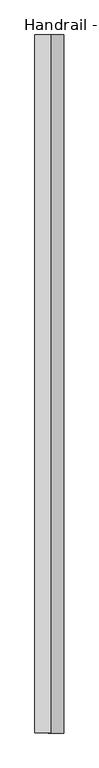
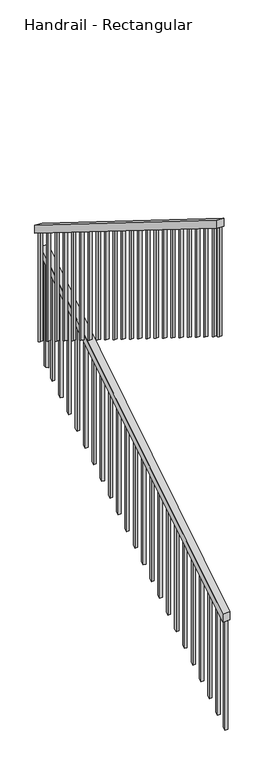
"""IFC4 building model written with IfcOpenShell, lengths in millimetres: railing geometry, Handrail - Rectangular."""

from ifc_helpers import new_model, si_unit, frame, origin, place, context, project, spatial, polyline, outline, extrude, source, transform, mapped, element, save


def handrail_rectangular_9882f909(model_context):
    return source(origin(), model_context, "Body", "SweptSolid", [
        extrude(outline(polyline([(-335.7422731, 1028.7093152), (-335.7422731, 1088.5714286), (1899.4577269, 2481.9428571), (1899.4577269, 2422.0807438), (-335.7422731, 1028.7093152)])), frame((-21315.9868352, 0.0, 0.0), z_axis=(1.0, 0.0, 0.0), x_axis=(0.0, 1.0, 0.0)), (0.0, 0.0, 1.0), 50.8),
        extrude(outline(polyline([(1899.4577269, 2656.1142857), (1899.4577269, 2596.2521724), (-335.7422731, 3989.623601), (-335.7422731, 4049.4857143), (1899.4577269, 2656.1142857)])), frame((-21358.1060199, 0.0, 0.0), z_axis=(1.0, 0.0, 0.0), x_axis=(0.0, 1.0, 0.0)), (0.0, 0.0, 1.0), 50.8),
        extrude(outline(polyline([(-250.0172731, 3936.1846399), (-250.0172731, 3121.2281552), (-269.0672731, 3133.1034799), (-269.0672731, 3948.0599646), (-250.0172731, 3936.1846399)])), frame((-21342.2310199, 0.0, 0.0), z_axis=(1.0, 0.0, 0.0), x_axis=(0.0, 1.0, 0.0)), (0.0, 0.0, 1.0), 19.05),
        extrude(outline(polyline([(-148.4172731, 3872.849575), (-148.4172731, 3057.8930903), (-167.4672731, 3069.768415), (-167.4672731, 3884.7248997), (-148.4172731, 3872.849575)])), frame((-21342.2310199, 0.0, 0.0), z_axis=(1.0, 0.0, 0.0), x_axis=(0.0, 1.0, 0.0)), (0.0, 0.0, 1.0), 19.05),
        extrude(outline(polyline([(-46.8172731, 3809.51451), (-46.8172731, 2994.5580253), (-65.8672731, 3006.43335), (-65.8672731, 3821.3898347), (-46.8172731, 3809.51451)])), frame((-21342.2310199, 0.0, 0.0), z_axis=(1.0, 0.0, 0.0), x_axis=(0.0, 1.0, 0.0)), (0.0, 0.0, 1.0), 19.05),
        extrude(outline(polyline([(54.7827269, 3746.1794451), (54.7827269, 2931.2229604), (35.7327269, 2943.0982851), (35.7327269, 3758.0547698), (54.7827269, 3746.1794451)])), frame((-21342.2310199, 0.0, 0.0), z_axis=(1.0, 0.0, 0.0), x_axis=(0.0, 1.0, 0.0)), (0.0, 0.0, 1.0), 19.05),
        extrude(outline(polyline([(156.3827269, 3682.8443802), (156.3827269, 2867.8878955), (137.3327269, 2879.7632201), (137.3327269, 3694.7197048), (156.3827269, 3682.8443802)])), frame((-21342.2310199, 0.0, 0.0), z_axis=(1.0, 0.0, 0.0), x_axis=(0.0, 1.0, 0.0)), (0.0, 0.0, 1.0), 19.05),
        extrude(outline(polyline([(257.9827269, 3619.5093152), (257.9827269, 2804.5528305), (238.9327269, 2816.4281552), (238.9327269, 3631.3846399), (257.9827269, 3619.5093152)])), frame((-21342.2310199, 0.0, 0.0), z_axis=(1.0, 0.0, 0.0), x_axis=(0.0, 1.0, 0.0)), (0.0, 0.0, 1.0), 19.05),
        extrude(outline(polyline([(359.5827269, 3556.1742503), (359.5827269, 2741.2177656), (340.5327269, 2753.0930903), (340.5327269, 3568.049575), (359.5827269, 3556.1742503)])), frame((-21342.2310199, 0.0, 0.0), z_axis=(1.0, 0.0, 0.0), x_axis=(0.0, 1.0, 0.0)), (0.0, 0.0, 1.0), 19.05),
        extrude(outline(polyline([(461.1827269, 3492.8391854), (461.1827269, 2677.8827007), (442.1327269, 2689.7580253), (442.1327269, 3504.71451), (461.1827269, 3492.8391854)])), frame((-21342.2310199, 0.0, 0.0), z_axis=(1.0, 0.0, 0.0), x_axis=(0.0, 1.0, 0.0)), (0.0, 0.0, 1.0), 19.05),
        extrude(outline(polyline([(562.7827269, 3429.5041204), (562.7827269, 2614.5476357), (543.7327269, 2626.4229604), (543.7327269, 3441.3794451), (562.7827269, 3429.5041204)])), frame((-21342.2310199, 0.0, 0.0), z_axis=(1.0, 0.0, 0.0), x_axis=(0.0, 1.0, 0.0)), (0.0, 0.0, 1.0), 19.05),
        extrude(outline(polyline([(664.3827269, 3366.1690555), (664.3827269, 2551.2125708), (645.3327269, 2563.0878955), (645.3327269, 3378.0443802), (664.3827269, 3366.1690555)])), frame((-21342.2310199, 0.0, 0.0), z_axis=(1.0, 0.0, 0.0), x_axis=(0.0, 1.0, 0.0)), (0.0, 0.0, 1.0), 19.05),
        extrude(outline(polyline([(765.9827269, 3302.8339906), (765.9827269, 2487.8775059), (746.9327269, 2499.7528305), (746.9327269, 3314.7093152), (765.9827269, 3302.8339906)])), frame((-21342.2310199, 0.0, 0.0), z_axis=(1.0, 0.0, 0.0), x_axis=(0.0, 1.0, 0.0)), (0.0, 0.0, 1.0), 19.05),
        extrude(outline(polyline([(867.5827269, 3239.4989256), (867.5827269, 2424.5424409), (848.5327269, 2436.4177656), (848.5327269, 3251.3742503), (867.5827269, 3239.4989256)])), frame((-21342.2310199, 0.0, 0.0), z_axis=(1.0, 0.0, 0.0), x_axis=(0.0, 1.0, 0.0)), (0.0, 0.0, 1.0), 19.05),
        extrude(outline(polyline([(969.1827269, 3176.1638607), (969.1827269, 2361.207376), (950.1327269, 2373.0827007), (950.1327269, 3188.0391854), (969.1827269, 3176.1638607)])), frame((-21342.2310199, 0.0, 0.0), z_axis=(1.0, 0.0, 0.0), x_axis=(0.0, 1.0, 0.0)), (0.0, 0.0, 1.0), 19.05),
        extrude(outline(polyline([(1070.7827269, 3112.8287958), (1070.7827269, 2297.8723111), (1051.7327269, 2309.7476357), (1051.7327269, 3124.7041204), (1070.7827269, 3112.8287958)])), frame((-21342.2310199, 0.0, 0.0), z_axis=(1.0, 0.0, 0.0), x_axis=(0.0, 1.0, 0.0)), (0.0, 0.0, 1.0), 19.05),
        extrude(outline(polyline([(1172.3827269, 3049.4937308), (1172.3827269, 2234.5372461), (1153.3327269, 2246.4125708), (1153.3327269, 3061.3690555), (1172.3827269, 3049.4937308)])), frame((-21342.2310199, 0.0, 0.0), z_axis=(1.0, 0.0, 0.0), x_axis=(0.0, 1.0, 0.0)), (0.0, 0.0, 1.0), 19.05),
        extrude(outline(polyline([(1273.9827269, 2986.1586659), (1273.9827269, 2171.2021812), (1254.9327269, 2183.0775059), (1254.9327269, 2998.0339906), (1273.9827269, 2986.1586659)])), frame((-21342.2310199, 0.0, 0.0), z_axis=(1.0, 0.0, 0.0), x_axis=(0.0, 1.0, 0.0)), (0.0, 0.0, 1.0), 19.05),
        extrude(outline(polyline([(1375.5827269, 2922.823601), (1375.5827269, 2107.8671162), (1356.5327269, 2119.7424409), (1356.5327269, 2934.6989256), (1375.5827269, 2922.823601)])), frame((-21342.2310199, 0.0, 0.0), z_axis=(1.0, 0.0, 0.0), x_axis=(0.0, 1.0, 0.0)), (0.0, 0.0, 1.0), 19.05),
        extrude(outline(polyline([(1477.1827269, 2859.488536), (1477.1827269, 2044.5320513), (1458.1327269, 2056.407376), (1458.1327269, 2871.3638607), (1477.1827269, 2859.488536)])), frame((-21342.2310199, 0.0, 0.0), z_axis=(1.0, 0.0, 0.0), x_axis=(0.0, 1.0, 0.0)), (0.0, 0.0, 1.0), 19.05),
        extrude(outline(polyline([(1578.7827269, 2796.1534711), (1578.7827269, 1981.1969864), (1559.7327269, 1993.0723111), (1559.7327269, 2808.0287958), (1578.7827269, 2796.1534711)])), frame((-21342.2310199, 0.0, 0.0), z_axis=(1.0, 0.0, 0.0), x_axis=(0.0, 1.0, 0.0)), (0.0, 0.0, 1.0), 19.05),
        extrude(outline(polyline([(1680.3827269, 2732.8184061), (1680.3827269, 1917.8619214), (1661.3327269, 1929.7372461), (1661.3327269, 2744.6937308), (1680.3827269, 2732.8184061)])), frame((-21342.2310199, 0.0, 0.0), z_axis=(1.0, 0.0, 0.0), x_axis=(0.0, 1.0, 0.0)), (0.0, 0.0, 1.0), 19.05),
        extrude(outline(polyline([(1781.9827269, 2669.4833412), (1781.9827269, 1854.5268565), (1762.9327269, 1866.4021812), (1762.9327269, 2681.3586659), (1781.9827269, 2669.4833412)])), frame((-21342.2310199, 0.0, 0.0), z_axis=(1.0, 0.0, 0.0), x_axis=(0.0, 1.0, 0.0)), (0.0, 0.0, 1.0), 19.05),
        extrude(outline(polyline([(1807.3827269, 2364.6833412), (1807.3827269, 1549.7268565), (1788.3327269, 1537.8515318), (1788.3327269, 2352.8080165), (1807.3827269, 2364.6833412)])), frame((-21300.1118352, 0.0, 0.0), z_axis=(1.0, 0.0, 0.0), x_axis=(0.0, 1.0, 0.0)), (0.0, 0.0, 1.0), 19.05),
        extrude(outline(polyline([(1705.7827269, 2301.3482763), (1705.7827269, 1486.3917916), (1686.7327269, 1474.5164669), (1686.7327269, 2289.4729516), (1705.7827269, 2301.3482763)])), frame((-21300.1118352, 0.0, 0.0), z_axis=(1.0, 0.0, 0.0), x_axis=(0.0, 1.0, 0.0)), (0.0, 0.0, 1.0), 19.05),
        extrude(outline(polyline([(1604.1827269, 2238.0132113), (1604.1827269, 1423.0567266), (1585.1327269, 1411.181402), (1585.1327269, 2226.1378867), (1604.1827269, 2238.0132113)])), frame((-21300.1118352, 0.0, 0.0), z_axis=(1.0, 0.0, 0.0), x_axis=(0.0, 1.0, 0.0)), (0.0, 0.0, 1.0), 19.05),
        extrude(outline(polyline([(1502.5827269, 2174.6781464), (1502.5827269, 1359.7216617), (1483.5327269, 1347.846337), (1483.5327269, 2162.8028217), (1502.5827269, 2174.6781464)])), frame((-21300.1118352, 0.0, 0.0), z_axis=(1.0, 0.0, 0.0), x_axis=(0.0, 1.0, 0.0)), (0.0, 0.0, 1.0), 19.05),
        extrude(outline(polyline([(1400.9827269, 2111.3430815), (1400.9827269, 1296.3865968), (1381.9327269, 1284.5112721), (1381.9327269, 2099.4677568), (1400.9827269, 2111.3430815)])), frame((-21300.1118352, 0.0, 0.0), z_axis=(1.0, 0.0, 0.0), x_axis=(0.0, 1.0, 0.0)), (0.0, 0.0, 1.0), 19.05),
        extrude(outline(polyline([(1299.3827269, 2048.0080165), (1299.3827269, 1233.0515318), (1280.3327269, 1221.1762072), (1280.3327269, 2036.1326919), (1299.3827269, 2048.0080165)])), frame((-21300.1118352, 0.0, 0.0), z_axis=(1.0, 0.0, 0.0), x_axis=(0.0, 1.0, 0.0)), (0.0, 0.0, 1.0), 19.05),
        extrude(outline(polyline([(1197.7827269, 1984.6729516), (1197.7827269, 1169.7164669), (1178.7327269, 1157.8411422), (1178.7327269, 1972.7976269), (1197.7827269, 1984.6729516)])), frame((-21300.1118352, 0.0, 0.0), z_axis=(1.0, 0.0, 0.0), x_axis=(0.0, 1.0, 0.0)), (0.0, 0.0, 1.0), 19.05),
        extrude(outline(polyline([(1096.1827269, 1921.3378867), (1096.1827269, 1106.381402), (1077.1327269, 1094.5060773), (1077.1327269, 1909.462562), (1096.1827269, 1921.3378867)])), frame((-21300.1118352, 0.0, 0.0), z_axis=(1.0, 0.0, 0.0), x_axis=(0.0, 1.0, 0.0)), (0.0, 0.0, 1.0), 19.05),
        extrude(outline(polyline([(994.5827269, 1858.0028217), (994.5827269, 1043.046337), (975.5327269, 1031.1710124), (975.5327269, 1846.1274971), (994.5827269, 1858.0028217)])), frame((-21300.1118352, 0.0, 0.0), z_axis=(1.0, 0.0, 0.0), x_axis=(0.0, 1.0, 0.0)), (0.0, 0.0, 1.0), 19.05),
        extrude(outline(polyline([(892.9827269, 1794.6677568), (892.9827269, 979.7112721), (873.9327269, 967.8359474), (873.9327269, 1782.7924321), (892.9827269, 1794.6677568)])), frame((-21300.1118352, 0.0, 0.0), z_axis=(1.0, 0.0, 0.0), x_axis=(0.0, 1.0, 0.0)), (0.0, 0.0, 1.0), 19.05),
        extrude(outline(polyline([(791.3827269, 1731.3326919), (791.3827269, 916.3762072), (772.3327269, 904.5008825), (772.3327269, 1719.4573672), (791.3827269, 1731.3326919)])), frame((-21300.1118352, 0.0, 0.0), z_axis=(1.0, 0.0, 0.0), x_axis=(0.0, 1.0, 0.0)), (0.0, 0.0, 1.0), 19.05),
        extrude(outline(polyline([(689.7827269, 1667.9976269), (689.7827269, 853.0411422), (670.7327269, 841.1658175), (670.7327269, 1656.1223023), (689.7827269, 1667.9976269)])), frame((-21300.1118352, 0.0, 0.0), z_axis=(1.0, 0.0, 0.0), x_axis=(0.0, 1.0, 0.0)), (0.0, 0.0, 1.0), 19.05),
        extrude(outline(polyline([(588.1827269, 1604.662562), (588.1827269, 789.7060773), (569.1327269, 777.8307526), (569.1327269, 1592.7872373), (588.1827269, 1604.662562)])), frame((-21300.1118352, 0.0, 0.0), z_axis=(1.0, 0.0, 0.0), x_axis=(0.0, 1.0, 0.0)), (0.0, 0.0, 1.0), 19.05),
        extrude(outline(polyline([(486.5827269, 1541.3274971), (486.5827269, 726.3710124), (467.5327269, 714.4956877), (467.5327269, 1529.4521724), (486.5827269, 1541.3274971)])), frame((-21300.1118352, 0.0, 0.0), z_axis=(1.0, 0.0, 0.0), x_axis=(0.0, 1.0, 0.0)), (0.0, 0.0, 1.0), 19.05),
        extrude(outline(polyline([(384.9827269, 1477.9924321), (384.9827269, 663.0359474), (365.9327269, 651.1606227), (365.9327269, 1466.1171074), (384.9827269, 1477.9924321)])), frame((-21300.1118352, 0.0, 0.0), z_axis=(1.0, 0.0, 0.0), x_axis=(0.0, 1.0, 0.0)), (0.0, 0.0, 1.0), 19.05),
        extrude(outline(polyline([(283.3827269, 1414.6573672), (283.3827269, 599.7008825), (264.3327269, 587.8255578), (264.3327269, 1402.7820425), (283.3827269, 1414.6573672)])), frame((-21300.1118352, 0.0, 0.0), z_axis=(1.0, 0.0, 0.0), x_axis=(0.0, 1.0, 0.0)), (0.0, 0.0, 1.0), 19.05),
        extrude(outline(polyline([(181.7827269, 1351.3223023), (181.7827269, 536.3658175), (162.7327269, 524.4904929), (162.7327269, 1339.4469776), (181.7827269, 1351.3223023)])), frame((-21300.1118352, 0.0, 0.0), z_axis=(1.0, 0.0, 0.0), x_axis=(0.0, 1.0, 0.0)), (0.0, 0.0, 1.0), 19.05),
        extrude(outline(polyline([(80.1827269, 1287.9872373), (80.1827269, 473.0307526), (61.1327269, 461.1554279), (61.1327269, 1276.1119126), (80.1827269, 1287.9872373)])), frame((-21300.1118352, 0.0, 0.0), z_axis=(1.0, 0.0, 0.0), x_axis=(0.0, 1.0, 0.0)), (0.0, 0.0, 1.0), 19.05),
        extrude(outline(polyline([(-21.4172731, 1224.6521724), (-21.4172731, 409.6956877), (-40.4672731, 397.820363), (-40.4672731, 1212.7768477), (-21.4172731, 1224.6521724)])), frame((-21300.1118352, 0.0, 0.0), z_axis=(1.0, 0.0, 0.0), x_axis=(0.0, 1.0, 0.0)), (0.0, 0.0, 1.0), 19.05),
        extrude(outline(polyline([(-123.0172731, 1161.3171074), (-123.0172731, 346.3606227), (-142.0672731, 334.4852981), (-142.0672731, 1149.4417828), (-123.0172731, 1161.3171074)])), frame((-21300.1118352, 0.0, 0.0), z_axis=(1.0, 0.0, 0.0), x_axis=(0.0, 1.0, 0.0)), (0.0, 0.0, 1.0), 19.05),
        extrude(outline(polyline([(-224.6172731, 1097.9820425), (-224.6172731, 283.0255578), (-243.6672731, 271.1502331), (-243.6672731, 1086.1067178), (-224.6172731, 1097.9820425)])), frame((-21300.1118352, 0.0, 0.0), z_axis=(1.0, 0.0, 0.0), x_axis=(0.0, 1.0, 0.0)), (0.0, 0.0, 1.0), 19.05),
        extrude(outline(polyline([(1883.5827269, 2606.1482763), (1883.5827269, 1791.1917916), (1864.5327269, 1803.0671162), (1864.5327269, 2618.023601), (1883.5827269, 2606.1482763)])), frame((-21342.2310199, 0.0, 0.0), z_axis=(1.0, 0.0, 0.0), x_axis=(0.0, 1.0, 0.0)), (0.0, 0.0, 1.0), 19.05),
        extrude(outline(polyline([(2431.1428571, -21300.1118352), (1597.2281552, -21300.1118352), (1585.3528305, -21281.0618352), (2431.1428571, -21281.0618352), (2431.1428571, -21300.1118352)])), frame((0.0, 1864.5327269, 0.0), z_axis=(0.0, 1.0, 0.0), x_axis=(0.0, 0.0, 1.0)), (0.0, 0.0, 1.0), 19.05),
        extrude(outline(polyline([(-316.6922731, 3977.7482763), (-316.6922731, 3162.7917916), (-335.7422731, 3174.6671162), (-335.7422731, 3989.623601), (-316.6922731, 3977.7482763)])), frame((-21342.2310199, 0.0, 0.0), z_axis=(1.0, 0.0, 0.0), x_axis=(0.0, 1.0, 0.0)), (0.0, 0.0, 1.0), 19.05),
        extrude(outline(polyline([(-316.6922731, 1040.5846399), (-316.6922731, 225.6281552), (-335.7422731, 213.7528305), (-335.7422731, 1028.7093152), (-316.6922731, 1040.5846399)])), frame((-21300.1118352, 0.0, 0.0), z_axis=(1.0, 0.0, 0.0), x_axis=(0.0, 1.0, 0.0)), (0.0, 0.0, 1.0), 19.05),
    ])


if __name__ == "__main__":
    model = new_model("IFC4")
    model_context = context("Model", 3, world=origin())
    ifc_project = project(units=[si_unit("LENGTHUNIT", "METRE", prefix="MILLI")], contexts=[model_context])
    site = spatial("IfcSite", under=ifc_project)
    building = spatial("IfcBuilding", under=site)
    placement = place(None, origin())
    handrail_rectangular_shape = handrail_rectangular_9882f909(model_context)
    element("IfcRailing", 1, ObjectType="Handrail - Rectangular", at=placement, inside=building, context=model_context, shape_type="MappedRepresentation", body=[
        mapped(handrail_rectangular_shape, transform((0.0, 0.0, 0.0), x_axis=(1.0, 0.0, 0.0), y_axis=(0.0, 1.0, 0.0), z_axis=(0.0, 0.0, 1.0))),
    ])
    save(model, "model.ifc")
